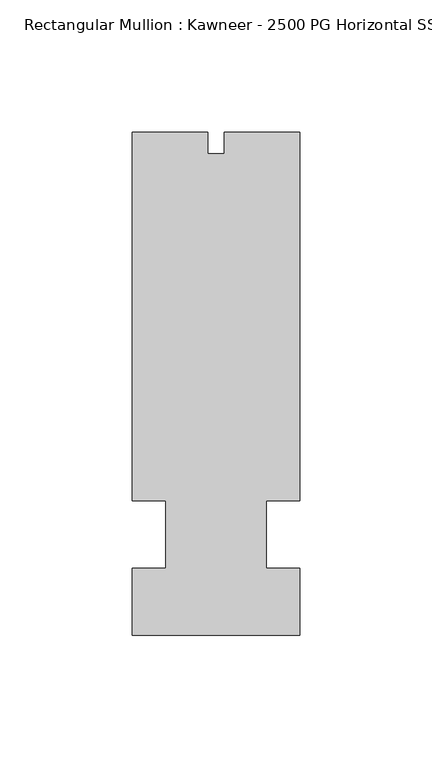
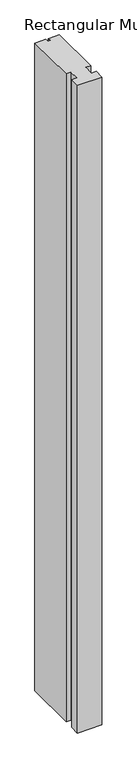
"""IFC4 building model written with IfcOpenShell, lengths in millimetres: member geometry, Rectangular Mullion : Kawneer - 2500 PG Horizontal SSG - Mullion_Vertical."""

import ifcopenshell
import ifcopenshell.guid

model = None  # the IFC model being written
_history = None  # IfcOwnerHistory: only IFC2X3 demands one
_inside = {}  # id of a spatial element -> (the spatial element, [elements in it])
_under = {}  # id of a project, library or spatial element -> (it, [spatial elements below it])
_declared = {}  # id of a project -> (the project, [libraries it declares])
_typed = {}  # id of a type object -> (the type object, [elements of that type])
_made_of = {}  # id of a material, layer set ... -> (it, [elements and type objects made of it])


def new_model(schema):
    """Start an empty IFC model of exactly this schema.

    Asked for "IFC4X3", IfcOpenShell would pick the latest addendum, in which some entities
    have other attributes; the version numbers below select the first issue.
    IFC2X3 requires an IfcOwnerHistory on every rooted entity: one is made here for all.
    """
    global model, _history
    if schema == "IFC4X3":
        model = ifcopenshell.file(schema_version=(4, 3, 0, 0))
    else:
        model = ifcopenshell.file(schema=schema)
    _inside.clear()
    _under.clear()
    _declared.clear()
    _typed.clear()
    _made_of.clear()
    _history = None
    if model.schema == "IFC2X3":
        org = make("IfcOrganization", Name="unknown")
        user = make(
            "IfcPersonAndOrganization",
            ThePerson=make("IfcPerson", FamilyName="unknown"),
            TheOrganization=org,
        )
        app = make(
            "IfcApplication",
            ApplicationDeveloper=org,
            Version="unknown",
            ApplicationFullName="unknown",
            ApplicationIdentifier="unknown",
        )
        _history = make(
            "IfcOwnerHistory",
            OwningUser=user,
            OwningApplication=app,
            ChangeAction="ADDED",
            CreationDate=0,
        )
    return model


def make(cls, **values):
    """One entity of the class cls with the attributes given. An attribute that is None is left unset."""
    return model.create_entity(
        cls, **{name: value for name, value in values.items() if value is not None}
    )


def rooted(cls, **values):
    """An entity with a GlobalId (a new one), such as an element, a storey or a relation."""
    return make(cls, GlobalId=ifcopenshell.guid.new(), OwnerHistory=_history, **values)


def si_unit(unit_type, name, prefix=None):
    """IfcSIUnit, for example si_unit("LENGTHUNIT", "METRE", prefix="MILLI")."""
    return make("IfcSIUnit", UnitType=unit_type, Prefix=prefix, Name=name)


def assignment(units):
    """IfcUnitAssignment: the units of a project."""
    return None if units is None else make("IfcUnitAssignment", Units=units)


def point(xyz):
    """IfcCartesianPoint."""
    return None if xyz is None else make("IfcCartesianPoint", Coordinates=xyz)


def direction(xyz):
    """IfcDirection."""
    return None if xyz is None else make("IfcDirection", DirectionRatios=xyz)


def frame(location, z_axis=None, x_axis=None):
    """IfcAxis2Placement3D, a coordinate frame: its origin and axes. An axis left out is left unset."""
    return make(
        "IfcAxis2Placement3D",
        Location=point(location),
        Axis=direction(z_axis),
        RefDirection=direction(x_axis),
    )


def origin():
    """The frame at (0, 0, 0) with its axes left unset."""
    return frame((0.0, 0.0, 0.0))


def place(relative_to, where):
    """IfcLocalPlacement: puts the frame where relative to a parent placement (None: the world)."""
    return make(
        "IfcLocalPlacement", PlacementRelTo=relative_to, RelativePlacement=where
    )


def context(
    kind, dimensions, precision=None, world=None, true_north=None, identifier=None
):
    """IfcGeometricRepresentationContext, for example the 3D "Model" context."""
    return make(
        "IfcGeometricRepresentationContext",
        ContextIdentifier=identifier,
        ContextType=kind,
        CoordinateSpaceDimension=dimensions,
        Precision=precision,
        WorldCoordinateSystem=world,
        TrueNorth=true_north,
    )


def project(units=None, contexts=None):
    """IfcProject with its units and contexts."""
    return rooted(
        "IfcProject",
        Name="project",
        RepresentationContexts=contexts,
        UnitsInContext=assignment(units),
    )


def spatial(cls, under=None, at=None, **own):
    """A site, building, storey or space (cls), placed at a placement, below another one or the project."""
    s = rooted(cls, ObjectPlacement=at, **own)
    if under is not None:
        _under.setdefault(under.id(), (under, []))[1].append(s)
    return s


def polyline(points):
    """IfcPolyline through the points."""
    return make("IfcPolyline", Points=[point(p) for p in points])


def outline(outer, holes=None, kind="AREA"):
    """IfcArbitraryClosedProfileDef: a profile drawn as a closed curve; with holes, ...WithVoids."""
    if holes is None:
        return make("IfcArbitraryClosedProfileDef", ProfileType=kind, OuterCurve=outer)
    return make(
        "IfcArbitraryProfileDefWithVoids",
        ProfileType=kind,
        OuterCurve=outer,
        InnerCurves=holes,
    )


def extrude(swept, where, along, depth):
    """IfcExtrudedAreaSolid: the profile swept, set in the frame where, extruded along a direction by depth."""
    return make(
        "IfcExtrudedAreaSolid",
        SweptArea=swept,
        Position=where,
        ExtrudedDirection=direction(along),
        Depth=depth,
    )


def shape(context_of_items, identifier, shape_type, items):
    """IfcShapeRepresentation: the items that make up one representation, for example the "Body"."""
    return make(
        "IfcShapeRepresentation",
        ContextOfItems=context_of_items,
        RepresentationIdentifier=identifier,
        RepresentationType=shape_type,
        Items=items,
    )


def source(mapping_origin, context_of_items, identifier, shape_type, items):
    """IfcRepresentationMap: a shape defined once, which mapped items show again and again."""
    return make(
        "IfcRepresentationMap",
        MappingOrigin=mapping_origin,
        MappedRepresentation=shape(context_of_items, identifier, shape_type, items),
    )


def transform(
    local_origin,
    x_axis=None,
    y_axis=None,
    z_axis=None,
    scale=None,
    scale2=None,
    scale3=None,
    uniform=True,
):
    """IfcCartesianTransformationOperator3D, or its non-uniform kind. x_axis, y_axis, z_axis: its Axis1, 2, 3."""
    if uniform:
        return make(
            "IfcCartesianTransformationOperator3D",
            Axis1=direction(x_axis),
            Axis2=direction(y_axis),
            LocalOrigin=point(local_origin),
            Scale=scale,
            Axis3=direction(z_axis),
        )
    return make(
        "IfcCartesianTransformationOperator3DnonUniform",
        Axis1=direction(x_axis),
        Axis2=direction(y_axis),
        LocalOrigin=point(local_origin),
        Scale=scale,
        Axis3=direction(z_axis),
        Scale2=scale2,
        Scale3=scale3,
    )


def mapped(mapping_source, mapping_target):
    """IfcMappedItem: shows the shape of a source again, moved by a transform."""
    return make(
        "IfcMappedItem", MappingSource=mapping_source, MappingTarget=mapping_target
    )


def made_of(thing, what):
    """Note that an element or type object is made of a material, layer set ...; save() writes the relation."""
    if what is not None:
        _made_of.setdefault(what.id(), (what, []))[1].append(thing)
    return thing


def element(
    cls,
    number,
    at=None,
    inside=None,
    cuts=None,
    type_object=None,
    material=None,
    context=None,
    identifier="Body",
    shape_type=None,
    held_by="IfcProductDefinitionShape",
    body=None,
    shapes=None,
    **own,
):
    """One element of the class cls, such as IfcWall. Its Tag is "e" and its number.

    at: its placement. inside: the storey or other place that contains it. cuts: it is an
    opening in that element (IfcRelVoidsElement). A single representation is given by context,
    identifier, shape_type and body (its items); several are given by shapes. held_by: the class
    of the entity that holds the representations. save() writes the other relations.
    """
    e = rooted(cls, Tag="e%d" % number, ObjectPlacement=at, **own)
    if body is not None:
        shapes = [shape(context, identifier, shape_type, body)]
    if shapes is not None:
        e.Representation = make(held_by, Representations=shapes)
    if inside is not None:
        _inside.setdefault(inside.id(), (inside, []))[1].append(e)
    if cuts is not None:
        rooted(
            "IfcRelVoidsElement", RelatingBuildingElement=cuts, RelatedOpeningElement=e
        )
    if type_object is not None:
        _typed.setdefault(type_object.id(), (type_object, []))[1].append(e)
    return made_of(e, material)


def aggregate(whole, parts):
    """IfcRelAggregates: a whole, such as a stair, and the parts it consists of."""
    return rooted("IfcRelAggregates", RelatingObject=whole, RelatedObjects=parts)


def save(model, path):
    """Write the relations noted so far, then the file.

    IfcRelAggregates (storeys below a building ...), IfcRelContainedInSpatialStructure (elements
    in a storey), IfcRelDefinesByType, IfcRelAssociatesMaterial and IfcRelDeclares: one each for
    every whole, place, type object, material and project.
    """
    for whole, parts in _under.values():
        aggregate(whole, parts)
    for where, things in _inside.values():
        rooted(
            "IfcRelContainedInSpatialStructure",
            RelatedElements=things,
            RelatingStructure=where,
        )
    for kind, things in _typed.values():
        rooted("IfcRelDefinesByType", RelatedObjects=things, RelatingType=kind)
    for what, things in _made_of.values():
        rooted("IfcRelAssociatesMaterial", RelatedObjects=things, RelatingMaterial=what)
    for by, libraries in _declared.values():
        rooted("IfcRelDeclares", RelatingContext=by, RelatedDefinitions=libraries)
    model.write(path)


def rectangular_mullion_kawneer_2500_pg_horizontal_ssg_mullion_de348e74(model_context):
    return source(origin(), model_context, "Body", "SweptSolid", [
        extrude(outline(polyline([(-31.75, -95.25), (-31.75, -69.85), (-19.0527628, -69.85), (-19.0527628, -44.45), (-31.75, -44.45), (-31.75, 95.25), (-3.175, 95.25), (-3.175, 86.9442), (3.175, 86.9442), (3.175, 95.25), (31.75, 95.25), (31.75, -44.45), (19.05, -44.45), (19.05, -69.85), (31.75, -69.85), (31.75, -95.25), (-31.75, -95.25)])), frame((0.0, 0.0, -1774.4073029), z_axis=(0.0, 0.0, 1.0), x_axis=(1.0, 0.0, 0.0)), (0.0, 0.0, 1.0), 1774.4073029),
    ])


if __name__ == "__main__":
    model = new_model("IFC4")
    model_context = context("Model", 3, world=origin())
    ifc_project = project(units=[si_unit("LENGTHUNIT", "METRE", prefix="MILLI")], contexts=[model_context])
    site = spatial("IfcSite", under=ifc_project)
    building = spatial("IfcBuilding", under=site)
    placement = place(None, origin())
    rectangular_mullion_kawneer_2500_pg_horizontal_ssg_mullion_shape = rectangular_mullion_kawneer_2500_pg_horizontal_ssg_mullion_de348e74(model_context)
    element("IfcMember", 1, ObjectType="Rectangular Mullion : Kawneer - 2500 PG Horizontal SSG - Mullion_Vertical", at=placement, inside=building, context=model_context, shape_type="MappedRepresentation", body=[
        mapped(rectangular_mullion_kawneer_2500_pg_horizontal_ssg_mullion_shape, transform((0.0, 0.0, 0.0), x_axis=(1.0, 0.0, 0.0), y_axis=(0.0, 1.0, 0.0), z_axis=(0.0, 0.0, 1.0))),
    ])
    save(model, "model.ifc")
